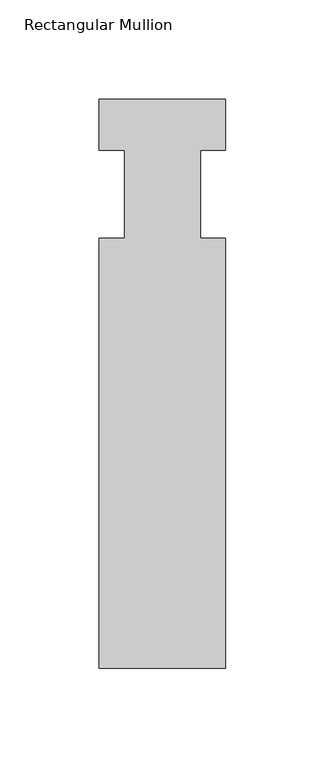
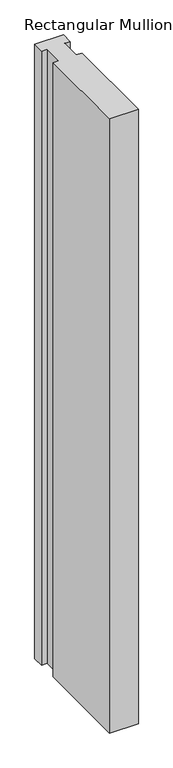
"""IFC4 building model written with IfcOpenShell, lengths in millimetres: member geometry, Rectangular Mullion."""

import ifcopenshell
import ifcopenshell.guid

model = None  # the IFC model being written
_history = None  # IfcOwnerHistory: only IFC2X3 demands one
_inside = {}  # id of a spatial element -> (the spatial element, [elements in it])
_under = {}  # id of a project, library or spatial element -> (it, [spatial elements below it])
_declared = {}  # id of a project -> (the project, [libraries it declares])
_typed = {}  # id of a type object -> (the type object, [elements of that type])
_made_of = {}  # id of a material, layer set ... -> (it, [elements and type objects made of it])


def new_model(schema):
    """Start an empty IFC model of exactly this schema.

    Asked for "IFC4X3", IfcOpenShell would pick the latest addendum, in which some entities
    have other attributes; the version numbers below select the first issue.
    IFC2X3 requires an IfcOwnerHistory on every rooted entity: one is made here for all.
    """
    global model, _history
    if schema == "IFC4X3":
        model = ifcopenshell.file(schema_version=(4, 3, 0, 0))
    else:
        model = ifcopenshell.file(schema=schema)
    _inside.clear()
    _under.clear()
    _declared.clear()
    _typed.clear()
    _made_of.clear()
    _history = None
    if model.schema == "IFC2X3":
        org = make("IfcOrganization", Name="unknown")
        user = make(
            "IfcPersonAndOrganization",
            ThePerson=make("IfcPerson", FamilyName="unknown"),
            TheOrganization=org,
        )
        app = make(
            "IfcApplication",
            ApplicationDeveloper=org,
            Version="unknown",
            ApplicationFullName="unknown",
            ApplicationIdentifier="unknown",
        )
        _history = make(
            "IfcOwnerHistory",
            OwningUser=user,
            OwningApplication=app,
            ChangeAction="ADDED",
            CreationDate=0,
        )
    return model


def make(cls, **values):
    """One entity of the class cls with the attributes given. An attribute that is None is left unset."""
    return model.create_entity(
        cls, **{name: value for name, value in values.items() if value is not None}
    )


def rooted(cls, **values):
    """An entity with a GlobalId (a new one), such as an element, a storey or a relation."""
    return make(cls, GlobalId=ifcopenshell.guid.new(), OwnerHistory=_history, **values)


def si_unit(unit_type, name, prefix=None):
    """IfcSIUnit, for example si_unit("LENGTHUNIT", "METRE", prefix="MILLI")."""
    return make("IfcSIUnit", UnitType=unit_type, Prefix=prefix, Name=name)


def assignment(units):
    """IfcUnitAssignment: the units of a project."""
    return None if units is None else make("IfcUnitAssignment", Units=units)


def point(xyz):
    """IfcCartesianPoint."""
    return None if xyz is None else make("IfcCartesianPoint", Coordinates=xyz)


def direction(xyz):
    """IfcDirection."""
    return None if xyz is None else make("IfcDirection", DirectionRatios=xyz)


def frame(location, z_axis=None, x_axis=None):
    """IfcAxis2Placement3D, a coordinate frame: its origin and axes. An axis left out is left unset."""
    return make(
        "IfcAxis2Placement3D",
        Location=point(location),
        Axis=direction(z_axis),
        RefDirection=direction(x_axis),
    )


def origin():
    """The frame at (0, 0, 0) with its axes left unset."""
    return frame((0.0, 0.0, 0.0))


def place(relative_to, where):
    """IfcLocalPlacement: puts the frame where relative to a parent placement (None: the world)."""
    return make(
        "IfcLocalPlacement", PlacementRelTo=relative_to, RelativePlacement=where
    )


def context(
    kind, dimensions, precision=None, world=None, true_north=None, identifier=None
):
    """IfcGeometricRepresentationContext, for example the 3D "Model" context."""
    return make(
        "IfcGeometricRepresentationContext",
        ContextIdentifier=identifier,
        ContextType=kind,
        CoordinateSpaceDimension=dimensions,
        Precision=precision,
        WorldCoordinateSystem=world,
        TrueNorth=true_north,
    )


def project(units=None, contexts=None):
    """IfcProject with its units and contexts."""
    return rooted(
        "IfcProject",
        Name="project",
        RepresentationContexts=contexts,
        UnitsInContext=assignment(units),
    )


def spatial(cls, under=None, at=None, **own):
    """A site, building, storey or space (cls), placed at a placement, below another one or the project."""
    s = rooted(cls, ObjectPlacement=at, **own)
    if under is not None:
        _under.setdefault(under.id(), (under, []))[1].append(s)
    return s


def polyline(points):
    """IfcPolyline through the points."""
    return make("IfcPolyline", Points=[point(p) for p in points])


def outline(outer, holes=None, kind="AREA"):
    """IfcArbitraryClosedProfileDef: a profile drawn as a closed curve; with holes, ...WithVoids."""
    if holes is None:
        return make("IfcArbitraryClosedProfileDef", ProfileType=kind, OuterCurve=outer)
    return make(
        "IfcArbitraryProfileDefWithVoids",
        ProfileType=kind,
        OuterCurve=outer,
        InnerCurves=holes,
    )


def extrude(swept, where, along, depth):
    """IfcExtrudedAreaSolid: the profile swept, set in the frame where, extruded along a direction by depth."""
    return make(
        "IfcExtrudedAreaSolid",
        SweptArea=swept,
        Position=where,
        ExtrudedDirection=direction(along),
        Depth=depth,
    )


def shape(context_of_items, identifier, shape_type, items):
    """IfcShapeRepresentation: the items that make up one representation, for example the "Body"."""
    return make(
        "IfcShapeRepresentation",
        ContextOfItems=context_of_items,
        RepresentationIdentifier=identifier,
        RepresentationType=shape_type,
        Items=items,
    )


def source(mapping_origin, context_of_items, identifier, shape_type, items):
    """IfcRepresentationMap: a shape defined once, which mapped items show again and again."""
    return make(
        "IfcRepresentationMap",
        MappingOrigin=mapping_origin,
        MappedRepresentation=shape(context_of_items, identifier, shape_type, items),
    )


def transform(
    local_origin,
    x_axis=None,
    y_axis=None,
    z_axis=None,
    scale=None,
    scale2=None,
    scale3=None,
    uniform=True,
):
    """IfcCartesianTransformationOperator3D, or its non-uniform kind. x_axis, y_axis, z_axis: its Axis1, 2, 3."""
    if uniform:
        return make(
            "IfcCartesianTransformationOperator3D",
            Axis1=direction(x_axis),
            Axis2=direction(y_axis),
            LocalOrigin=point(local_origin),
            Scale=scale,
            Axis3=direction(z_axis),
        )
    return make(
        "IfcCartesianTransformationOperator3DnonUniform",
        Axis1=direction(x_axis),
        Axis2=direction(y_axis),
        LocalOrigin=point(local_origin),
        Scale=scale,
        Axis3=direction(z_axis),
        Scale2=scale2,
        Scale3=scale3,
    )


def mapped(mapping_source, mapping_target):
    """IfcMappedItem: shows the shape of a source again, moved by a transform."""
    return make(
        "IfcMappedItem", MappingSource=mapping_source, MappingTarget=mapping_target
    )


def made_of(thing, what):
    """Note that an element or type object is made of a material, layer set ...; save() writes the relation."""
    if what is not None:
        _made_of.setdefault(what.id(), (what, []))[1].append(thing)
    return thing


def element(
    cls,
    number,
    at=None,
    inside=None,
    cuts=None,
    type_object=None,
    material=None,
    context=None,
    identifier="Body",
    shape_type=None,
    held_by="IfcProductDefinitionShape",
    body=None,
    shapes=None,
    **own,
):
    """One element of the class cls, such as IfcWall. Its Tag is "e" and its number.

    at: its placement. inside: the storey or other place that contains it. cuts: it is an
    opening in that element (IfcRelVoidsElement). A single representation is given by context,
    identifier, shape_type and body (its items); several are given by shapes. held_by: the class
    of the entity that holds the representations. save() writes the other relations.
    """
    e = rooted(cls, Tag="e%d" % number, ObjectPlacement=at, **own)
    if body is not None:
        shapes = [shape(context, identifier, shape_type, body)]
    if shapes is not None:
        e.Representation = make(held_by, Representations=shapes)
    if inside is not None:
        _inside.setdefault(inside.id(), (inside, []))[1].append(e)
    if cuts is not None:
        rooted(
            "IfcRelVoidsElement", RelatingBuildingElement=cuts, RelatedOpeningElement=e
        )
    if type_object is not None:
        _typed.setdefault(type_object.id(), (type_object, []))[1].append(e)
    return made_of(e, material)


def aggregate(whole, parts):
    """IfcRelAggregates: a whole, such as a stair, and the parts it consists of."""
    return rooted("IfcRelAggregates", RelatingObject=whole, RelatedObjects=parts)


def save(model, path):
    """Write the relations noted so far, then the file.

    IfcRelAggregates (storeys below a building ...), IfcRelContainedInSpatialStructure (elements
    in a storey), IfcRelDefinesByType, IfcRelAssociatesMaterial and IfcRelDeclares: one each for
    every whole, place, type object, material and project.
    """
    for whole, parts in _under.values():
        aggregate(whole, parts)
    for where, things in _inside.values():
        rooted(
            "IfcRelContainedInSpatialStructure",
            RelatedElements=things,
            RelatingStructure=where,
        )
    for kind, things in _typed.values():
        rooted("IfcRelDefinesByType", RelatedObjects=things, RelatingType=kind)
    for what, things in _made_of.values():
        rooted("IfcRelAssociatesMaterial", RelatedObjects=things, RelatingMaterial=what)
    for by, libraries in _declared.values():
        rooted("IfcRelDeclares", RelatingContext=by, RelatedDefinitions=libraries)
    model.write(path)


def rectangular_mullion_6a24d30e(model_context):
    return source(origin(), model_context, "Body", "SweptSolid", [
        extrude(outline(polyline([(31.75, -238.125), (-31.75, -238.125), (-31.75, -22.225), (-19.05, -22.225), (-19.05, 22.225), (-31.75, 22.225), (-31.75, 47.625), (31.75, 47.625), (31.75, 22.225), (19.05, 22.225), (19.05, -22.225), (31.75, -22.225), (31.75, -238.125)])), frame((0.0, 0.0, -1431.925), z_axis=(0.0, 0.0, 1.0), x_axis=(1.0, 0.0, 0.0)), (0.0, 0.0, 1.0), 1431.925),
    ])


if __name__ == "__main__":
    model = new_model("IFC4")
    model_context = context("Model", 3, world=origin())
    ifc_project = project(units=[si_unit("LENGTHUNIT", "METRE", prefix="MILLI")], contexts=[model_context])
    site = spatial("IfcSite", under=ifc_project)
    building = spatial("IfcBuilding", under=site)
    placement = place(None, origin())
    rectangular_mullion_shape = rectangular_mullion_6a24d30e(model_context)
    element("IfcMember", 1, ObjectType="Rectangular Mullion", at=placement, inside=building, context=model_context, shape_type="MappedRepresentation", body=[
        mapped(rectangular_mullion_shape, transform((0.0, 0.0, 0.0), x_axis=(1.0, 0.0, 0.0), y_axis=(0.0, 1.0, 0.0), z_axis=(0.0, 0.0, 1.0))),
    ])
    save(model, "model.ifc")
